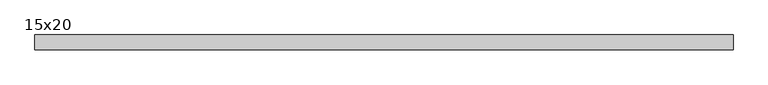
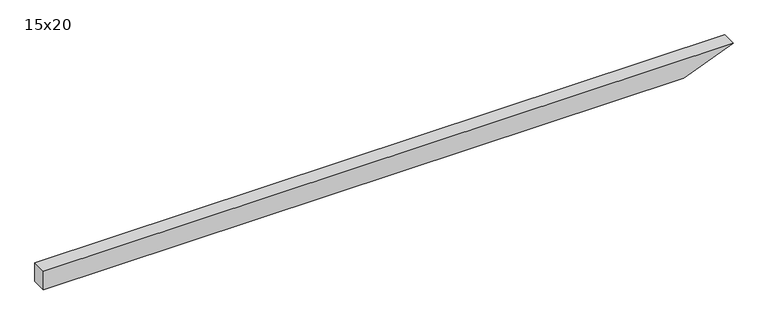
"""IFC4 building model written with IfcOpenShell, lengths in millimetres: beam geometry, 15x20."""

from ifc_helpers import new_model, si_unit, frame, origin, place, context, project, spatial, polyline, outline, extrude, source, transform, mapped, element, save


def beam_15x20_63cfb14c(model_context):
    return source(origin(), model_context, "Body", "SweptSolid", [
        extrude(outline(polyline([(100.0, -3424.0), (-100.0, -3424.0), (-100.0, 3060.8), (100.0, 3563.0), (100.0, -3424.0)])), frame((0.0, -75.0, 0.0), z_axis=(0.0, 1.0, 0.0), x_axis=(0.0, 0.0, 1.0)), (0.0, 0.0, 1.0), 150.0),
    ])


if __name__ == "__main__":
    model = new_model("IFC4")
    model_context = context("Model", 3, world=origin())
    ifc_project = project(units=[si_unit("LENGTHUNIT", "METRE", prefix="MILLI")], contexts=[model_context])
    site = spatial("IfcSite", under=ifc_project)
    building = spatial("IfcBuilding", under=site)
    placement = place(None, origin())
    beam_15x20_shape = beam_15x20_63cfb14c(model_context)
    element("IfcBeam", 1, ObjectType="15x20", at=placement, inside=building, context=model_context, shape_type="MappedRepresentation", body=[
        mapped(beam_15x20_shape, transform((0.0, 0.0, 0.0), x_axis=(1.0, 0.0, 0.0), y_axis=(0.0, 1.0, 0.0), z_axis=(0.0, 0.0, 1.0))),
    ])
    save(model, "model.ifc")
